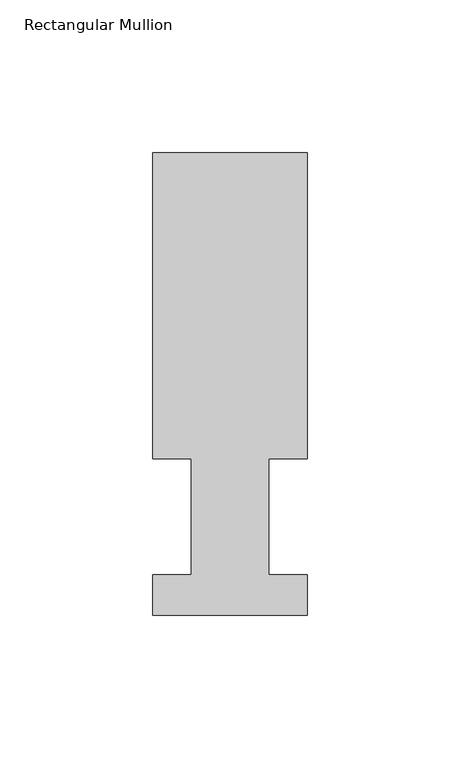
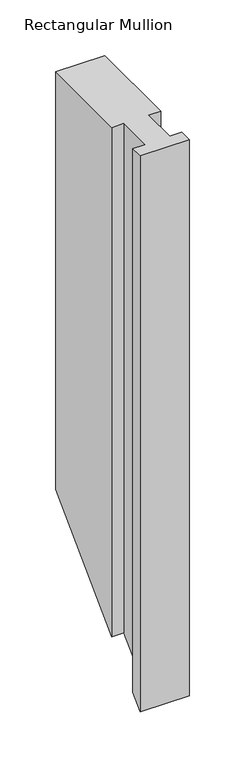
"""IFC4 building model written with IfcOpenShell, lengths in millimetres: member geometry, Rectangular Mullion."""

import ifcopenshell
import ifcopenshell.guid

model = None  # the IFC model being written
_history = None  # IfcOwnerHistory: only IFC2X3 demands one
_inside = {}  # id of a spatial element -> (the spatial element, [elements in it])
_under = {}  # id of a project, library or spatial element -> (it, [spatial elements below it])
_declared = {}  # id of a project -> (the project, [libraries it declares])
_typed = {}  # id of a type object -> (the type object, [elements of that type])
_made_of = {}  # id of a material, layer set ... -> (it, [elements and type objects made of it])


def new_model(schema):
    """Start an empty IFC model of exactly this schema.

    Asked for "IFC4X3", IfcOpenShell would pick the latest addendum, in which some entities
    have other attributes; the version numbers below select the first issue.
    IFC2X3 requires an IfcOwnerHistory on every rooted entity: one is made here for all.
    """
    global model, _history
    if schema == "IFC4X3":
        model = ifcopenshell.file(schema_version=(4, 3, 0, 0))
    else:
        model = ifcopenshell.file(schema=schema)
    _inside.clear()
    _under.clear()
    _declared.clear()
    _typed.clear()
    _made_of.clear()
    _history = None
    if model.schema == "IFC2X3":
        org = make("IfcOrganization", Name="unknown")
        user = make(
            "IfcPersonAndOrganization",
            ThePerson=make("IfcPerson", FamilyName="unknown"),
            TheOrganization=org,
        )
        app = make(
            "IfcApplication",
            ApplicationDeveloper=org,
            Version="unknown",
            ApplicationFullName="unknown",
            ApplicationIdentifier="unknown",
        )
        _history = make(
            "IfcOwnerHistory",
            OwningUser=user,
            OwningApplication=app,
            ChangeAction="ADDED",
            CreationDate=0,
        )
    return model


def make(cls, **values):
    """One entity of the class cls with the attributes given. An attribute that is None is left unset."""
    return model.create_entity(
        cls, **{name: value for name, value in values.items() if value is not None}
    )


def rooted(cls, **values):
    """An entity with a GlobalId (a new one), such as an element, a storey or a relation."""
    return make(cls, GlobalId=ifcopenshell.guid.new(), OwnerHistory=_history, **values)


def si_unit(unit_type, name, prefix=None):
    """IfcSIUnit, for example si_unit("LENGTHUNIT", "METRE", prefix="MILLI")."""
    return make("IfcSIUnit", UnitType=unit_type, Prefix=prefix, Name=name)


def assignment(units):
    """IfcUnitAssignment: the units of a project."""
    return None if units is None else make("IfcUnitAssignment", Units=units)


def point(xyz):
    """IfcCartesianPoint."""
    return None if xyz is None else make("IfcCartesianPoint", Coordinates=xyz)


def direction(xyz):
    """IfcDirection."""
    return None if xyz is None else make("IfcDirection", DirectionRatios=xyz)


def frame(location, z_axis=None, x_axis=None):
    """IfcAxis2Placement3D, a coordinate frame: its origin and axes. An axis left out is left unset."""
    return make(
        "IfcAxis2Placement3D",
        Location=point(location),
        Axis=direction(z_axis),
        RefDirection=direction(x_axis),
    )


def origin():
    """The frame at (0, 0, 0) with its axes left unset."""
    return frame((0.0, 0.0, 0.0))


def place(relative_to, where):
    """IfcLocalPlacement: puts the frame where relative to a parent placement (None: the world)."""
    return make(
        "IfcLocalPlacement", PlacementRelTo=relative_to, RelativePlacement=where
    )


def context(
    kind, dimensions, precision=None, world=None, true_north=None, identifier=None
):
    """IfcGeometricRepresentationContext, for example the 3D "Model" context."""
    return make(
        "IfcGeometricRepresentationContext",
        ContextIdentifier=identifier,
        ContextType=kind,
        CoordinateSpaceDimension=dimensions,
        Precision=precision,
        WorldCoordinateSystem=world,
        TrueNorth=true_north,
    )


def project(units=None, contexts=None):
    """IfcProject with its units and contexts."""
    return rooted(
        "IfcProject",
        Name="project",
        RepresentationContexts=contexts,
        UnitsInContext=assignment(units),
    )


def spatial(cls, under=None, at=None, **own):
    """A site, building, storey or space (cls), placed at a placement, below another one or the project."""
    s = rooted(cls, ObjectPlacement=at, **own)
    if under is not None:
        _under.setdefault(under.id(), (under, []))[1].append(s)
    return s


def faces_of(points, faces, orient=None, outer=None):
    """IfcFace entities. A face is a list of loops; a loop is a list of indices into points, from 0.

    orient and outer hold one flag for each loop. By default every Orientation is true, the
    first loop of a face is its IfcFaceOuterBound and the others are IfcFaceBound.
    """
    made = []
    for i, loops in enumerate(faces):
        bounds = []
        for j, loop in enumerate(loops):
            is_outer = j == 0 if outer is None else outer[i][j]
            bounds.append(
                make(
                    "IfcFaceOuterBound" if is_outer else "IfcFaceBound",
                    Bound=make("IfcPolyLoop", Polygon=[points[k] for k in loop]),
                    Orientation=True if orient is None else orient[i][j],
                )
            )
        made.append(make("IfcFace", Bounds=bounds))
    return made


def faceted_brep(points, faces, orient=None, outer=None, voids=None):
    """IfcFacetedBrep: a solid bounded by flat faces; with voids (closed shells), ...WithVoids."""
    shared = [point(p) for p in points]
    hull = make("IfcClosedShell", CfsFaces=faces_of(shared, faces, orient, outer))
    if voids is None:
        return make("IfcFacetedBrep", Outer=hull)
    return make(
        "IfcFacetedBrepWithVoids",
        Outer=hull,
        Voids=[
            make(cls, CfsFaces=faces_of(shared, fs, o, b)) for cls, fs, o, b in voids
        ],
    )


def shape(context_of_items, identifier, shape_type, items):
    """IfcShapeRepresentation: the items that make up one representation, for example the "Body"."""
    return make(
        "IfcShapeRepresentation",
        ContextOfItems=context_of_items,
        RepresentationIdentifier=identifier,
        RepresentationType=shape_type,
        Items=items,
    )


def source(mapping_origin, context_of_items, identifier, shape_type, items):
    """IfcRepresentationMap: a shape defined once, which mapped items show again and again."""
    return make(
        "IfcRepresentationMap",
        MappingOrigin=mapping_origin,
        MappedRepresentation=shape(context_of_items, identifier, shape_type, items),
    )


def transform(
    local_origin,
    x_axis=None,
    y_axis=None,
    z_axis=None,
    scale=None,
    scale2=None,
    scale3=None,
    uniform=True,
):
    """IfcCartesianTransformationOperator3D, or its non-uniform kind. x_axis, y_axis, z_axis: its Axis1, 2, 3."""
    if uniform:
        return make(
            "IfcCartesianTransformationOperator3D",
            Axis1=direction(x_axis),
            Axis2=direction(y_axis),
            LocalOrigin=point(local_origin),
            Scale=scale,
            Axis3=direction(z_axis),
        )
    return make(
        "IfcCartesianTransformationOperator3DnonUniform",
        Axis1=direction(x_axis),
        Axis2=direction(y_axis),
        LocalOrigin=point(local_origin),
        Scale=scale,
        Axis3=direction(z_axis),
        Scale2=scale2,
        Scale3=scale3,
    )


def mapped(mapping_source, mapping_target):
    """IfcMappedItem: shows the shape of a source again, moved by a transform."""
    return make(
        "IfcMappedItem", MappingSource=mapping_source, MappingTarget=mapping_target
    )


def made_of(thing, what):
    """Note that an element or type object is made of a material, layer set ...; save() writes the relation."""
    if what is not None:
        _made_of.setdefault(what.id(), (what, []))[1].append(thing)
    return thing


def element(
    cls,
    number,
    at=None,
    inside=None,
    cuts=None,
    type_object=None,
    material=None,
    context=None,
    identifier="Body",
    shape_type=None,
    held_by="IfcProductDefinitionShape",
    body=None,
    shapes=None,
    **own,
):
    """One element of the class cls, such as IfcWall. Its Tag is "e" and its number.

    at: its placement. inside: the storey or other place that contains it. cuts: it is an
    opening in that element (IfcRelVoidsElement). A single representation is given by context,
    identifier, shape_type and body (its items); several are given by shapes. held_by: the class
    of the entity that holds the representations. save() writes the other relations.
    """
    e = rooted(cls, Tag="e%d" % number, ObjectPlacement=at, **own)
    if body is not None:
        shapes = [shape(context, identifier, shape_type, body)]
    if shapes is not None:
        e.Representation = make(held_by, Representations=shapes)
    if inside is not None:
        _inside.setdefault(inside.id(), (inside, []))[1].append(e)
    if cuts is not None:
        rooted(
            "IfcRelVoidsElement", RelatingBuildingElement=cuts, RelatedOpeningElement=e
        )
    if type_object is not None:
        _typed.setdefault(type_object.id(), (type_object, []))[1].append(e)
    return made_of(e, material)


def aggregate(whole, parts):
    """IfcRelAggregates: a whole, such as a stair, and the parts it consists of."""
    return rooted("IfcRelAggregates", RelatingObject=whole, RelatedObjects=parts)


def save(model, path):
    """Write the relations noted so far, then the file.

    IfcRelAggregates (storeys below a building ...), IfcRelContainedInSpatialStructure (elements
    in a storey), IfcRelDefinesByType, IfcRelAssociatesMaterial and IfcRelDeclares: one each for
    every whole, place, type object, material and project.
    """
    for whole, parts in _under.values():
        aggregate(whole, parts)
    for where, things in _inside.values():
        rooted(
            "IfcRelContainedInSpatialStructure",
            RelatedElements=things,
            RelatingStructure=where,
        )
    for kind, things in _typed.values():
        rooted("IfcRelDefinesByType", RelatedObjects=things, RelatingType=kind)
    for what, things in _made_of.values():
        rooted("IfcRelAssociatesMaterial", RelatedObjects=things, RelatingMaterial=what)
    for by, libraries in _declared.values():
        rooted("IfcRelDeclares", RelatingContext=by, RelatedDefinitions=libraries)
    model.write(path)


def rectangular_mullion_0a55b52b(model_context):
    return source(origin(), model_context, "Body", "Brep", [
        faceted_brep([(50.8, 151.7022937, 0.0), (0.0, 151.7022937, 0.0), (0.0, 51.2960938, 0.0), (12.7, 51.2960938, 0.0), (12.7, 13.1960938, 0.0), (0.0, 13.1960938, 0.0), (0.0, 0.0134937, 0.0), (50.8, 0.0134937, 0.0), (50.8, 13.1960938, 0.0), (38.1, 13.1960938, 0.0), (38.1, 51.2960938, 0.0), (50.8, 51.2960938, 0.0), (50.8, 151.7022937, -457.8977063), (0.0, 151.7022937, -457.8977063), (0.0, 51.2960938, -558.3039062), (12.7, 51.2960938, -558.3039062), (12.7, 13.1960938, -596.4039062), (0.0, 13.1960938, -596.4039062), (0.0, 0.0134937, -609.5865063), (50.8, 0.0134937, -609.5865063), (50.8, 13.1960938, -596.4039062), (38.1, 13.1960938, -596.4039062), (38.1, 51.2960938, -558.3039062), (50.8, 51.2960938, -558.3039062)], [[[0, 1, 2, 3, 4, 5, 6, 7, 8, 9, 10, 11]], [[1, 0, 12, 13]], [[2, 1, 13, 14]], [[3, 2, 14, 15]], [[4, 3, 15, 16]], [[5, 4, 16, 17]], [[6, 5, 17, 18]], [[7, 6, 18, 19]], [[8, 7, 19, 20]], [[9, 8, 20, 21]], [[10, 9, 21, 22]], [[11, 10, 22, 23]], [[0, 11, 23, 12]], [[12, 23, 22, 21, 20, 19, 18, 17, 16, 15, 14, 13]]]),
    ])


if __name__ == "__main__":
    model = new_model("IFC4")
    model_context = context("Model", 3, world=origin())
    ifc_project = project(units=[si_unit("LENGTHUNIT", "METRE", prefix="MILLI")], contexts=[model_context])
    site = spatial("IfcSite", under=ifc_project)
    building = spatial("IfcBuilding", under=site)
    placement = place(None, origin())
    rectangular_mullion_shape = rectangular_mullion_0a55b52b(model_context)
    element("IfcMember", 1, ObjectType="Rectangular Mullion", at=placement, inside=building, context=model_context, shape_type="MappedRepresentation", body=[
        mapped(rectangular_mullion_shape, transform((0.0, 0.0, 0.0), x_axis=(1.0, 0.0, 0.0), y_axis=(0.0, 1.0, 0.0), z_axis=(0.0, 0.0, 1.0))),
    ])
    save(model, "model.ifc")
